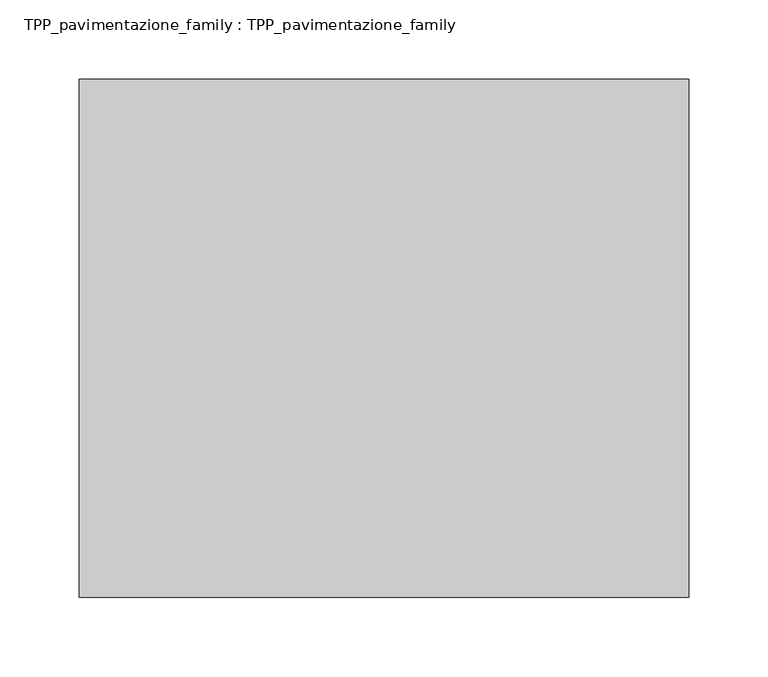
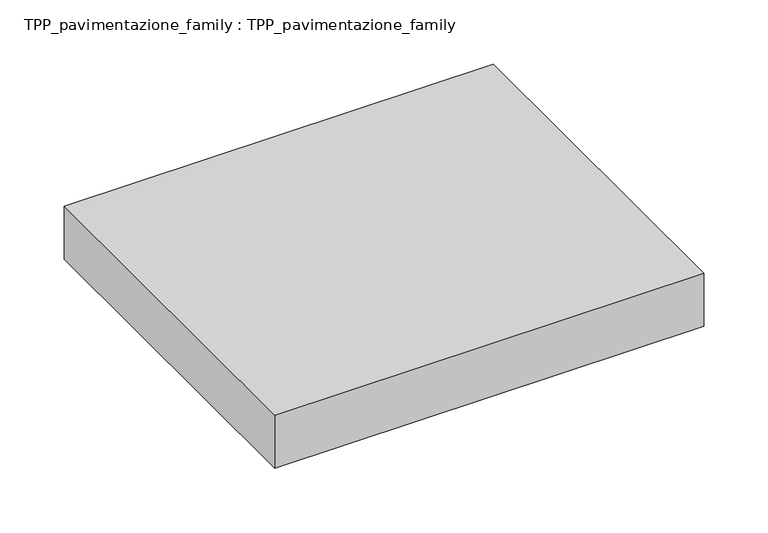
"""IFC4 building model written with IfcOpenShell, lengths in millimetres: proxy geometry, TPP_pavimentazione_family : TPP_pavimentazione_family."""

import ifcopenshell
import ifcopenshell.guid

model = None  # the IFC model being written
_history = None  # IfcOwnerHistory: only IFC2X3 demands one
_inside = {}  # id of a spatial element -> (the spatial element, [elements in it])
_under = {}  # id of a project, library or spatial element -> (it, [spatial elements below it])
_declared = {}  # id of a project -> (the project, [libraries it declares])
_typed = {}  # id of a type object -> (the type object, [elements of that type])
_made_of = {}  # id of a material, layer set ... -> (it, [elements and type objects made of it])


def new_model(schema):
    """Start an empty IFC model of exactly this schema.

    Asked for "IFC4X3", IfcOpenShell would pick the latest addendum, in which some entities
    have other attributes; the version numbers below select the first issue.
    IFC2X3 requires an IfcOwnerHistory on every rooted entity: one is made here for all.
    """
    global model, _history
    if schema == "IFC4X3":
        model = ifcopenshell.file(schema_version=(4, 3, 0, 0))
    else:
        model = ifcopenshell.file(schema=schema)
    _inside.clear()
    _under.clear()
    _declared.clear()
    _typed.clear()
    _made_of.clear()
    _history = None
    if model.schema == "IFC2X3":
        org = make("IfcOrganization", Name="unknown")
        user = make(
            "IfcPersonAndOrganization",
            ThePerson=make("IfcPerson", FamilyName="unknown"),
            TheOrganization=org,
        )
        app = make(
            "IfcApplication",
            ApplicationDeveloper=org,
            Version="unknown",
            ApplicationFullName="unknown",
            ApplicationIdentifier="unknown",
        )
        _history = make(
            "IfcOwnerHistory",
            OwningUser=user,
            OwningApplication=app,
            ChangeAction="ADDED",
            CreationDate=0,
        )
    return model


def make(cls, **values):
    """One entity of the class cls with the attributes given. An attribute that is None is left unset."""
    return model.create_entity(
        cls, **{name: value for name, value in values.items() if value is not None}
    )


def rooted(cls, **values):
    """An entity with a GlobalId (a new one), such as an element, a storey or a relation."""
    return make(cls, GlobalId=ifcopenshell.guid.new(), OwnerHistory=_history, **values)


def si_unit(unit_type, name, prefix=None):
    """IfcSIUnit, for example si_unit("LENGTHUNIT", "METRE", prefix="MILLI")."""
    return make("IfcSIUnit", UnitType=unit_type, Prefix=prefix, Name=name)


def assignment(units):
    """IfcUnitAssignment: the units of a project."""
    return None if units is None else make("IfcUnitAssignment", Units=units)


def point(xyz):
    """IfcCartesianPoint."""
    return None if xyz is None else make("IfcCartesianPoint", Coordinates=xyz)


def direction(xyz):
    """IfcDirection."""
    return None if xyz is None else make("IfcDirection", DirectionRatios=xyz)


def frame(location, z_axis=None, x_axis=None):
    """IfcAxis2Placement3D, a coordinate frame: its origin and axes. An axis left out is left unset."""
    return make(
        "IfcAxis2Placement3D",
        Location=point(location),
        Axis=direction(z_axis),
        RefDirection=direction(x_axis),
    )


def origin():
    """The frame at (0, 0, 0) with its axes left unset."""
    return frame((0.0, 0.0, 0.0))


def origin_with_axes():
    """The frame at (0, 0, 0) with the z axis (0, 0, 1) and the x axis (1, 0, 0) written out."""
    return frame((0.0, 0.0, 0.0), z_axis=(0.0, 0.0, 1.0), x_axis=(1.0, 0.0, 0.0))


def place(relative_to, where):
    """IfcLocalPlacement: puts the frame where relative to a parent placement (None: the world)."""
    return make(
        "IfcLocalPlacement", PlacementRelTo=relative_to, RelativePlacement=where
    )


def context(
    kind, dimensions, precision=None, world=None, true_north=None, identifier=None
):
    """IfcGeometricRepresentationContext, for example the 3D "Model" context."""
    return make(
        "IfcGeometricRepresentationContext",
        ContextIdentifier=identifier,
        ContextType=kind,
        CoordinateSpaceDimension=dimensions,
        Precision=precision,
        WorldCoordinateSystem=world,
        TrueNorth=true_north,
    )


def project(units=None, contexts=None):
    """IfcProject with its units and contexts."""
    return rooted(
        "IfcProject",
        Name="project",
        RepresentationContexts=contexts,
        UnitsInContext=assignment(units),
    )


def spatial(cls, under=None, at=None, **own):
    """A site, building, storey or space (cls), placed at a placement, below another one or the project."""
    s = rooted(cls, ObjectPlacement=at, **own)
    if under is not None:
        _under.setdefault(under.id(), (under, []))[1].append(s)
    return s


def polyline(points):
    """IfcPolyline through the points."""
    return make("IfcPolyline", Points=[point(p) for p in points])


def outline(outer, holes=None, kind="AREA"):
    """IfcArbitraryClosedProfileDef: a profile drawn as a closed curve; with holes, ...WithVoids."""
    if holes is None:
        return make("IfcArbitraryClosedProfileDef", ProfileType=kind, OuterCurve=outer)
    return make(
        "IfcArbitraryProfileDefWithVoids",
        ProfileType=kind,
        OuterCurve=outer,
        InnerCurves=holes,
    )


def extrude(swept, where, along, depth):
    """IfcExtrudedAreaSolid: the profile swept, set in the frame where, extruded along a direction by depth."""
    return make(
        "IfcExtrudedAreaSolid",
        SweptArea=swept,
        Position=where,
        ExtrudedDirection=direction(along),
        Depth=depth,
    )


def shape(context_of_items, identifier, shape_type, items):
    """IfcShapeRepresentation: the items that make up one representation, for example the "Body"."""
    return make(
        "IfcShapeRepresentation",
        ContextOfItems=context_of_items,
        RepresentationIdentifier=identifier,
        RepresentationType=shape_type,
        Items=items,
    )


def source(mapping_origin, context_of_items, identifier, shape_type, items):
    """IfcRepresentationMap: a shape defined once, which mapped items show again and again."""
    return make(
        "IfcRepresentationMap",
        MappingOrigin=mapping_origin,
        MappedRepresentation=shape(context_of_items, identifier, shape_type, items),
    )


def transform(
    local_origin,
    x_axis=None,
    y_axis=None,
    z_axis=None,
    scale=None,
    scale2=None,
    scale3=None,
    uniform=True,
):
    """IfcCartesianTransformationOperator3D, or its non-uniform kind. x_axis, y_axis, z_axis: its Axis1, 2, 3."""
    if uniform:
        return make(
            "IfcCartesianTransformationOperator3D",
            Axis1=direction(x_axis),
            Axis2=direction(y_axis),
            LocalOrigin=point(local_origin),
            Scale=scale,
            Axis3=direction(z_axis),
        )
    return make(
        "IfcCartesianTransformationOperator3DnonUniform",
        Axis1=direction(x_axis),
        Axis2=direction(y_axis),
        LocalOrigin=point(local_origin),
        Scale=scale,
        Axis3=direction(z_axis),
        Scale2=scale2,
        Scale3=scale3,
    )


def mapped(mapping_source, mapping_target):
    """IfcMappedItem: shows the shape of a source again, moved by a transform."""
    return make(
        "IfcMappedItem", MappingSource=mapping_source, MappingTarget=mapping_target
    )


def made_of(thing, what):
    """Note that an element or type object is made of a material, layer set ...; save() writes the relation."""
    if what is not None:
        _made_of.setdefault(what.id(), (what, []))[1].append(thing)
    return thing


def element(
    cls,
    number,
    at=None,
    inside=None,
    cuts=None,
    type_object=None,
    material=None,
    context=None,
    identifier="Body",
    shape_type=None,
    held_by="IfcProductDefinitionShape",
    body=None,
    shapes=None,
    **own,
):
    """One element of the class cls, such as IfcWall. Its Tag is "e" and its number.

    at: its placement. inside: the storey or other place that contains it. cuts: it is an
    opening in that element (IfcRelVoidsElement). A single representation is given by context,
    identifier, shape_type and body (its items); several are given by shapes. held_by: the class
    of the entity that holds the representations. save() writes the other relations.
    """
    e = rooted(cls, Tag="e%d" % number, ObjectPlacement=at, **own)
    if body is not None:
        shapes = [shape(context, identifier, shape_type, body)]
    if shapes is not None:
        e.Representation = make(held_by, Representations=shapes)
    if inside is not None:
        _inside.setdefault(inside.id(), (inside, []))[1].append(e)
    if cuts is not None:
        rooted(
            "IfcRelVoidsElement", RelatingBuildingElement=cuts, RelatedOpeningElement=e
        )
    if type_object is not None:
        _typed.setdefault(type_object.id(), (type_object, []))[1].append(e)
    return made_of(e, material)


def aggregate(whole, parts):
    """IfcRelAggregates: a whole, such as a stair, and the parts it consists of."""
    return rooted("IfcRelAggregates", RelatingObject=whole, RelatedObjects=parts)


def save(model, path):
    """Write the relations noted so far, then the file.

    IfcRelAggregates (storeys below a building ...), IfcRelContainedInSpatialStructure (elements
    in a storey), IfcRelDefinesByType, IfcRelAssociatesMaterial and IfcRelDeclares: one each for
    every whole, place, type object, material and project.
    """
    for whole, parts in _under.values():
        aggregate(whole, parts)
    for where, things in _inside.values():
        rooted(
            "IfcRelContainedInSpatialStructure",
            RelatedElements=things,
            RelatingStructure=where,
        )
    for kind, things in _typed.values():
        rooted("IfcRelDefinesByType", RelatedObjects=things, RelatingType=kind)
    for what, things in _made_of.values():
        rooted("IfcRelAssociatesMaterial", RelatedObjects=things, RelatingMaterial=what)
    for by, libraries in _declared.values():
        rooted("IfcRelDeclares", RelatingContext=by, RelatedDefinitions=libraries)
    model.write(path)


def tpp_pavimentazione_family_tpp_pavimentazione_family_4c7ce6f7(model_context):
    return source(origin(), model_context, "Body", "SweptSolid", [
        extrude(outline(polyline([(511.8146187, 354.2201026), (511.8146187, 27.5398253), (127.5377705, 27.5398253), (127.5377705, 354.2201026), (511.8146187, 354.2201026)])), origin_with_axes(), (0.0, 0.0, 1.0), 50.0),
    ])


if __name__ == "__main__":
    model = new_model("IFC4")
    model_context = context("Model", 3, world=origin())
    ifc_project = project(units=[si_unit("LENGTHUNIT", "METRE", prefix="MILLI")], contexts=[model_context])
    site = spatial("IfcSite", under=ifc_project)
    building = spatial("IfcBuilding", under=site)
    placement = place(None, origin())
    tpp_pavimentazione_family_tpp_pavimentazione_family_shape = tpp_pavimentazione_family_tpp_pavimentazione_family_4c7ce6f7(model_context)
    element("IfcBuildingElementProxy", 1, Name="TPP_pavimentazione_family : TPP_pavimentazione_family", ObjectType="TPP_pavimentazione_family : TPP_pavimentazione_family", at=placement, inside=building, context=model_context, shape_type="MappedRepresentation", body=[
        mapped(tpp_pavimentazione_family_tpp_pavimentazione_family_shape, transform((0.0, 0.0, 0.0), x_axis=(1.0, 0.0, 0.0), y_axis=(0.0, 1.0, 0.0), z_axis=(0.0, 0.0, 1.0))),
    ])
    save(model, "model.ifc")
